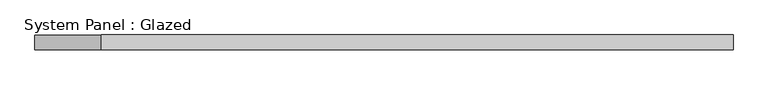
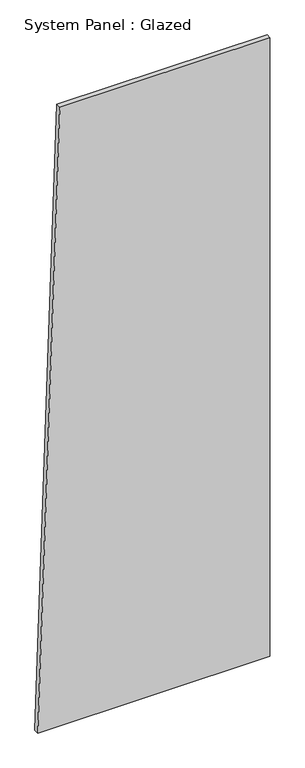
"""IFC4 building model written with IfcOpenShell, lengths in millimetres: plate geometry, System Panel : Glazed."""

from ifc_helpers import new_model, si_unit, frame, origin, place, context, project, spatial, polyline, outline, extrude, source, transform, mapped, element, save


def system_panel_glazed_24408c86(model_context):
    return source(origin(), model_context, "Body", "SweptSolid", [
        extrude(outline(polyline([(0.0, -592.1215851), (0.0, 592.1215851), (3336.1930123, 592.1215851), (3336.1930123, -479.4742062), (0.0, -592.1215851)])), frame((0.0, -49.5, 0.0), z_axis=(0.0, 1.0, 0.0), x_axis=(0.0, 0.0, 1.0)), (0.0, 0.0, 1.0), 25.0),
    ])


if __name__ == "__main__":
    model = new_model("IFC4")
    model_context = context("Model", 3, world=origin())
    ifc_project = project(units=[si_unit("LENGTHUNIT", "METRE", prefix="MILLI")], contexts=[model_context])
    site = spatial("IfcSite", under=ifc_project)
    building = spatial("IfcBuilding", under=site)
    placement = place(None, origin())
    system_panel_glazed_shape = system_panel_glazed_24408c86(model_context)
    element("IfcPlate", 1, ObjectType="System Panel : Glazed", at=placement, inside=building, context=model_context, shape_type="MappedRepresentation", body=[
        mapped(system_panel_glazed_shape, transform((0.0, 0.0, 0.0), x_axis=(1.0, 0.0, 0.0), y_axis=(0.0, 1.0, 0.0), z_axis=(0.0, 0.0, 1.0))),
    ])
    save(model, "model.ifc")
